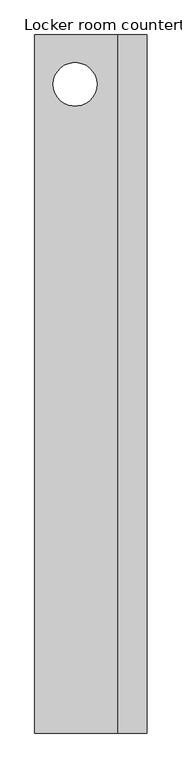
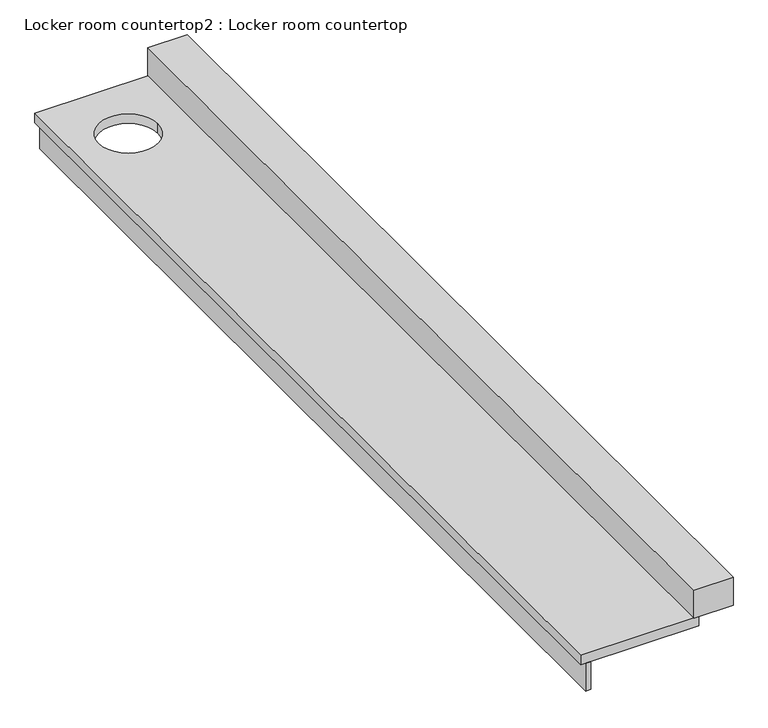
"""IFC4 building model written with IfcOpenShell, lengths in millimetres: furniture geometry, Locker room countertop2 : Locker room countertop."""

import ifcopenshell
import ifcopenshell.guid

model = None  # the IFC model being written
_history = None  # IfcOwnerHistory: only IFC2X3 demands one
_inside = {}  # id of a spatial element -> (the spatial element, [elements in it])
_under = {}  # id of a project, library or spatial element -> (it, [spatial elements below it])
_declared = {}  # id of a project -> (the project, [libraries it declares])
_typed = {}  # id of a type object -> (the type object, [elements of that type])
_made_of = {}  # id of a material, layer set ... -> (it, [elements and type objects made of it])


def new_model(schema):
    """Start an empty IFC model of exactly this schema.

    Asked for "IFC4X3", IfcOpenShell would pick the latest addendum, in which some entities
    have other attributes; the version numbers below select the first issue.
    IFC2X3 requires an IfcOwnerHistory on every rooted entity: one is made here for all.
    """
    global model, _history
    if schema == "IFC4X3":
        model = ifcopenshell.file(schema_version=(4, 3, 0, 0))
    else:
        model = ifcopenshell.file(schema=schema)
    _inside.clear()
    _under.clear()
    _declared.clear()
    _typed.clear()
    _made_of.clear()
    _history = None
    if model.schema == "IFC2X3":
        org = make("IfcOrganization", Name="unknown")
        user = make(
            "IfcPersonAndOrganization",
            ThePerson=make("IfcPerson", FamilyName="unknown"),
            TheOrganization=org,
        )
        app = make(
            "IfcApplication",
            ApplicationDeveloper=org,
            Version="unknown",
            ApplicationFullName="unknown",
            ApplicationIdentifier="unknown",
        )
        _history = make(
            "IfcOwnerHistory",
            OwningUser=user,
            OwningApplication=app,
            ChangeAction="ADDED",
            CreationDate=0,
        )
    return model


def make(cls, **values):
    """One entity of the class cls with the attributes given. An attribute that is None is left unset."""
    return model.create_entity(
        cls, **{name: value for name, value in values.items() if value is not None}
    )


def rooted(cls, **values):
    """An entity with a GlobalId (a new one), such as an element, a storey or a relation."""
    return make(cls, GlobalId=ifcopenshell.guid.new(), OwnerHistory=_history, **values)


def si_unit(unit_type, name, prefix=None):
    """IfcSIUnit, for example si_unit("LENGTHUNIT", "METRE", prefix="MILLI")."""
    return make("IfcSIUnit", UnitType=unit_type, Prefix=prefix, Name=name)


def assignment(units):
    """IfcUnitAssignment: the units of a project."""
    return None if units is None else make("IfcUnitAssignment", Units=units)


def point(xyz):
    """IfcCartesianPoint."""
    return None if xyz is None else make("IfcCartesianPoint", Coordinates=xyz)


def direction(xyz):
    """IfcDirection."""
    return None if xyz is None else make("IfcDirection", DirectionRatios=xyz)


def frame(location, z_axis=None, x_axis=None):
    """IfcAxis2Placement3D, a coordinate frame: its origin and axes. An axis left out is left unset."""
    return make(
        "IfcAxis2Placement3D",
        Location=point(location),
        Axis=direction(z_axis),
        RefDirection=direction(x_axis),
    )


def frame_2d(location, x_axis=None):
    """IfcAxis2Placement2D, a coordinate frame in the plane: its origin and x axis."""
    return make(
        "IfcAxis2Placement2D", Location=point(location), RefDirection=direction(x_axis)
    )


def origin():
    """The frame at (0, 0, 0) with its axes left unset."""
    return frame((0.0, 0.0, 0.0))


def place(relative_to, where):
    """IfcLocalPlacement: puts the frame where relative to a parent placement (None: the world)."""
    return make(
        "IfcLocalPlacement", PlacementRelTo=relative_to, RelativePlacement=where
    )


def context(
    kind, dimensions, precision=None, world=None, true_north=None, identifier=None
):
    """IfcGeometricRepresentationContext, for example the 3D "Model" context."""
    return make(
        "IfcGeometricRepresentationContext",
        ContextIdentifier=identifier,
        ContextType=kind,
        CoordinateSpaceDimension=dimensions,
        Precision=precision,
        WorldCoordinateSystem=world,
        TrueNorth=true_north,
    )


def project(units=None, contexts=None):
    """IfcProject with its units and contexts."""
    return rooted(
        "IfcProject",
        Name="project",
        RepresentationContexts=contexts,
        UnitsInContext=assignment(units),
    )


def spatial(cls, under=None, at=None, **own):
    """A site, building, storey or space (cls), placed at a placement, below another one or the project."""
    s = rooted(cls, ObjectPlacement=at, **own)
    if under is not None:
        _under.setdefault(under.id(), (under, []))[1].append(s)
    return s


def polyline(points):
    """IfcPolyline through the points."""
    return make("IfcPolyline", Points=[point(p) for p in points])


def circle_curve(where, radius):
    """IfcCircle in the frame where."""
    return make("IfcCircle", Position=where, Radius=radius)


def trimmed(basis, trim1, trim2, sense, master):
    """IfcTrimmedCurve: the piece of a basis curve between two trims."""
    return make(
        "IfcTrimmedCurve",
        BasisCurve=basis,
        Trim1=trim1,
        Trim2=trim2,
        SenseAgreement=sense,
        MasterRepresentation=master,
    )


def segment(curve, same_sense, transition):
    """IfcCompositeCurveSegment."""
    return make(
        "IfcCompositeCurveSegment",
        Transition=transition,
        SameSense=same_sense,
        ParentCurve=curve,
    )


def composite_curve(segments, self_intersect=None):
    """IfcCompositeCurve: segments joined end to end."""
    return make("IfcCompositeCurve", Segments=segments, SelfIntersect=self_intersect)


def outline(outer, holes=None, kind="AREA"):
    """IfcArbitraryClosedProfileDef: a profile drawn as a closed curve; with holes, ...WithVoids."""
    if holes is None:
        return make("IfcArbitraryClosedProfileDef", ProfileType=kind, OuterCurve=outer)
    return make(
        "IfcArbitraryProfileDefWithVoids",
        ProfileType=kind,
        OuterCurve=outer,
        InnerCurves=holes,
    )


def extrude(swept, where, along, depth):
    """IfcExtrudedAreaSolid: the profile swept, set in the frame where, extruded along a direction by depth."""
    return make(
        "IfcExtrudedAreaSolid",
        SweptArea=swept,
        Position=where,
        ExtrudedDirection=direction(along),
        Depth=depth,
    )


def shape(context_of_items, identifier, shape_type, items):
    """IfcShapeRepresentation: the items that make up one representation, for example the "Body"."""
    return make(
        "IfcShapeRepresentation",
        ContextOfItems=context_of_items,
        RepresentationIdentifier=identifier,
        RepresentationType=shape_type,
        Items=items,
    )


def source(mapping_origin, context_of_items, identifier, shape_type, items):
    """IfcRepresentationMap: a shape defined once, which mapped items show again and again."""
    return make(
        "IfcRepresentationMap",
        MappingOrigin=mapping_origin,
        MappedRepresentation=shape(context_of_items, identifier, shape_type, items),
    )


def transform(
    local_origin,
    x_axis=None,
    y_axis=None,
    z_axis=None,
    scale=None,
    scale2=None,
    scale3=None,
    uniform=True,
):
    """IfcCartesianTransformationOperator3D, or its non-uniform kind. x_axis, y_axis, z_axis: its Axis1, 2, 3."""
    if uniform:
        return make(
            "IfcCartesianTransformationOperator3D",
            Axis1=direction(x_axis),
            Axis2=direction(y_axis),
            LocalOrigin=point(local_origin),
            Scale=scale,
            Axis3=direction(z_axis),
        )
    return make(
        "IfcCartesianTransformationOperator3DnonUniform",
        Axis1=direction(x_axis),
        Axis2=direction(y_axis),
        LocalOrigin=point(local_origin),
        Scale=scale,
        Axis3=direction(z_axis),
        Scale2=scale2,
        Scale3=scale3,
    )


def mapped(mapping_source, mapping_target):
    """IfcMappedItem: shows the shape of a source again, moved by a transform."""
    return make(
        "IfcMappedItem", MappingSource=mapping_source, MappingTarget=mapping_target
    )


def made_of(thing, what):
    """Note that an element or type object is made of a material, layer set ...; save() writes the relation."""
    if what is not None:
        _made_of.setdefault(what.id(), (what, []))[1].append(thing)
    return thing


def element(
    cls,
    number,
    at=None,
    inside=None,
    cuts=None,
    type_object=None,
    material=None,
    context=None,
    identifier="Body",
    shape_type=None,
    held_by="IfcProductDefinitionShape",
    body=None,
    shapes=None,
    **own,
):
    """One element of the class cls, such as IfcWall. Its Tag is "e" and its number.

    at: its placement. inside: the storey or other place that contains it. cuts: it is an
    opening in that element (IfcRelVoidsElement). A single representation is given by context,
    identifier, shape_type and body (its items); several are given by shapes. held_by: the class
    of the entity that holds the representations. save() writes the other relations.
    """
    e = rooted(cls, Tag="e%d" % number, ObjectPlacement=at, **own)
    if body is not None:
        shapes = [shape(context, identifier, shape_type, body)]
    if shapes is not None:
        e.Representation = make(held_by, Representations=shapes)
    if inside is not None:
        _inside.setdefault(inside.id(), (inside, []))[1].append(e)
    if cuts is not None:
        rooted(
            "IfcRelVoidsElement", RelatingBuildingElement=cuts, RelatedOpeningElement=e
        )
    if type_object is not None:
        _typed.setdefault(type_object.id(), (type_object, []))[1].append(e)
    return made_of(e, material)


def aggregate(whole, parts):
    """IfcRelAggregates: a whole, such as a stair, and the parts it consists of."""
    return rooted("IfcRelAggregates", RelatingObject=whole, RelatedObjects=parts)


def save(model, path):
    """Write the relations noted so far, then the file.

    IfcRelAggregates (storeys below a building ...), IfcRelContainedInSpatialStructure (elements
    in a storey), IfcRelDefinesByType, IfcRelAssociatesMaterial and IfcRelDeclares: one each for
    every whole, place, type object, material and project.
    """
    for whole, parts in _under.values():
        aggregate(whole, parts)
    for where, things in _inside.values():
        rooted(
            "IfcRelContainedInSpatialStructure",
            RelatedElements=things,
            RelatingStructure=where,
        )
    for kind, things in _typed.values():
        rooted("IfcRelDefinesByType", RelatedObjects=things, RelatingType=kind)
    for what, things in _made_of.values():
        rooted("IfcRelAssociatesMaterial", RelatedObjects=things, RelatingMaterial=what)
    for by, libraries in _declared.values():
        rooted("IfcRelDeclares", RelatingContext=by, RelatedDefinitions=libraries)
    model.write(path)


def locker_room_countertop2_locker_room_countertop_e94fd6b5(model_context):
    return source(origin(), model_context, "Body", "SweptSolid", [
        extrude(outline(polyline([(454121.6254676, -325202.3733948), (454121.6254676, -320318.6205223), (454147.0254676, -320318.6205223), (454147.0254676, -325202.3733948), (454121.6254676, -325202.3733948)])), frame((0.0, 0.0, 660.4), z_axis=(0.0, 0.0, 1.0), x_axis=(1.0, 0.0, 0.0)), (0.0, 0.0, 1.0), 152.4),
        extrude(outline(polyline([(454680.4254676, -320318.6205223), (454883.6254676, -320318.6205223), (454883.6254676, -325202.3733948), (454680.4254676, -325202.3733948), (454680.4254676, -320318.6205223)])), frame((0.0, 0.0, 863.6), z_axis=(0.0, 0.0, 1.0), x_axis=(1.0, 0.0, 0.0)), (0.0, 0.0, 1.0), 152.4),
        extrude(outline(polyline([(454096.2254676, -320318.6205223), (454705.8254676, -320318.6205223), (454705.8254676, -325202.3733948), (454096.2254676, -325202.3733948), (454096.2254676, -320318.6205223)]), holes=[composite_curve([segment(trimmed(circle_curve(frame_2d((454378.4142157, -320664.2700389)), 152.4), [point((454530.8142157, -320664.2700389))], [point((454226.0142157, -320664.2700389))], True, "CARTESIAN"), True, "CONTINUOUS"), segment(trimmed(circle_curve(frame_2d((454378.4142157, -320664.2700389)), 152.4), [point((454226.0142157, -320664.2700389))], [point((454530.8142157, -320664.2700389))], True, "CARTESIAN"), True, "CONTINUOUS")], self_intersect=False)]), frame((0.0, 0.0, 812.8), z_axis=(0.0, 0.0, 1.0), x_axis=(1.0, 0.0, 0.0)), (0.0, 0.0, 1.0), 50.8),
    ])


if __name__ == "__main__":
    model = new_model("IFC4")
    model_context = context("Model", 3, world=origin())
    ifc_project = project(units=[si_unit("LENGTHUNIT", "METRE", prefix="MILLI")], contexts=[model_context])
    site = spatial("IfcSite", under=ifc_project)
    building = spatial("IfcBuilding", under=site)
    placement = place(None, origin())
    locker_room_countertop2_locker_room_countertop_shape = locker_room_countertop2_locker_room_countertop_e94fd6b5(model_context)
    element("IfcFurniture", 1, ObjectType="Locker room countertop2 : Locker room countertop", at=placement, inside=building, context=model_context, shape_type="MappedRepresentation", body=[
        mapped(locker_room_countertop2_locker_room_countertop_shape, transform((0.0, 0.0, 0.0), x_axis=(1.0, 0.0, 0.0), y_axis=(0.0, 1.0, 0.0), z_axis=(0.0, 0.0, 1.0))),
    ])
    save(model, "model.ifc")
